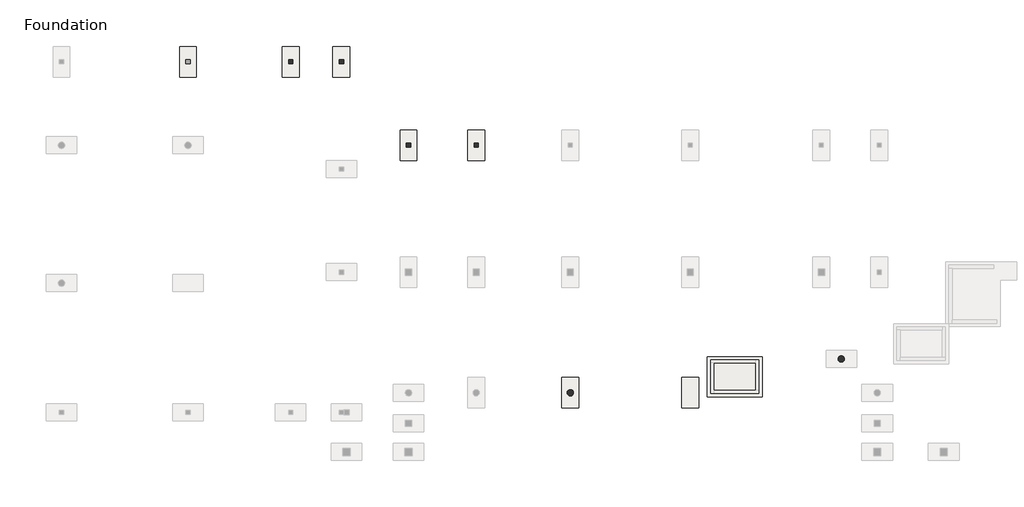
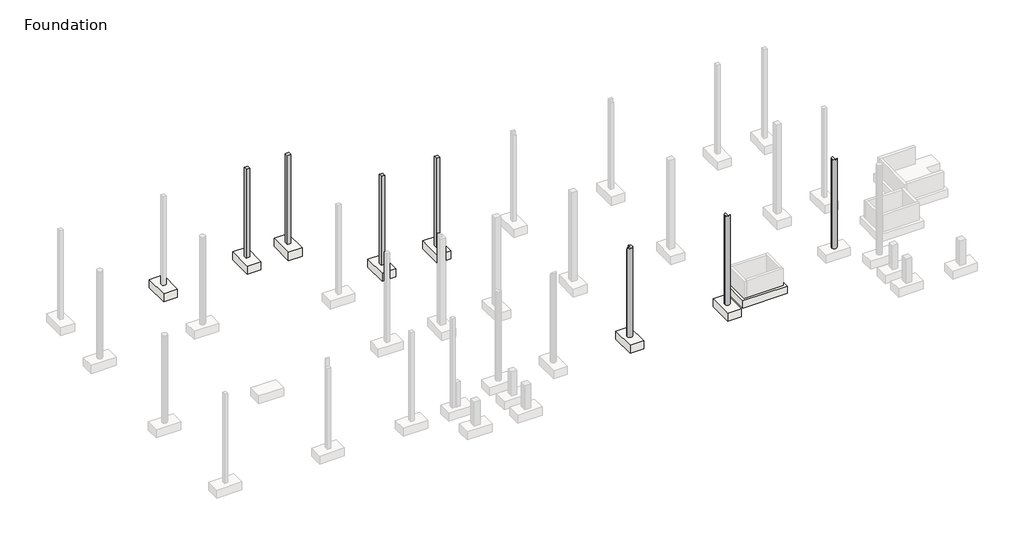
# One storey, part 8 of 10: 8 slabs, 7 columns.
"""IFC4 building model written with IfcOpenShell, lengths in millimetres."""

from ifc_helpers import new_model, si_unit, frame, origin, place, context, project, spatial, polyline, circle_curve, outline, extrude, faceted_brep, element, save
from ifc_brep_helpers import plane_surface, cylinder_surface, revolved_surface, advanced_brep

model = new_model("IFC4")

# Units and contexts
model_context = context("Model", 3, world=origin())
ifc_project = project(units=[si_unit("LENGTHUNIT", "METRE", prefix="MILLI")], contexts=[model_context])

# Site, building, storey
site = spatial("IfcSite", under=ifc_project)
building = spatial("IfcBuilding", under=site)
storey = spatial("IfcBuildingStorey", under=building, Name="Foundation", Elevation=-1600.0)

# Columns
placement = place(None, origin())
element("IfcColumn", 1, ObjectType="Concrete Round : 300 mm", at=placement, inside=storey, context=model_context, shape_type="AdvancedBrep", body=[
    advanced_brep(
    [(15549.8821845, -16244.1031039, -1600.0), (15849.8821845, -16244.1031039, -1600.0), (15549.8821845, -16244.1031039, 3900.0), (15599.9020782, -16132.2819148, 3900.0), (15699.8821845, -16094.1031039, 3900.0), (15699.8821845, -16094.1031039, 3720.0), (15849.8821845, -16244.1031039, 3720.0), (15811.6855834, -16344.1031039, 3720.0), (15811.6855834, -16344.1031039, 3900.0), (15699.8821845, -16344.1031039, 3900.0), (15699.8821845, -16344.1031039, 3720.0)],
    [
        (0, 1, circle_curve(frame((15699.8821845, -16244.1031039, -1600.0), z_axis=(0.0, 0.0, -1.0), x_axis=(-1.0, 0.0, 0.0)), 150.0)),
        (1, 0, circle_curve(frame((15699.8821845, -16244.1031039, -1600.0), z_axis=(0.0, 0.0, -1.0), x_axis=(-1.0, 0.0, 0.0)), 150.0)),
        (0, 2),
        (2, 3, circle_curve(frame((15699.8821845, -16244.1031039, 3900.0), z_axis=(0.0, 0.0, -1.0), x_axis=(-1.0, 0.0, 0.0)), 150.0)),
        (3, 4, circle_curve(frame((15699.8821845, -16244.1031039, 3900.0), z_axis=(0.0, 0.0, -1.0), x_axis=(-1.0, 0.0, 0.0)), 150.0)),
        (4, 5),
        (5, 6, circle_curve(frame((15699.8821845, -16244.1031039, 3720.0), z_axis=(0.0, 0.0, -1.0), x_axis=(-1.0, 0.0, 0.0)), 150.0)),
        (6, 1),
        (6, 7, circle_curve(frame((15699.8821845, -16244.1031039, 3720.0), z_axis=(0.0, 0.0, -1.0), x_axis=(-1.0, 0.0, 0.0)), 150.0)),
        (7, 8),
        (8, 2, circle_curve(frame((15699.8821845, -16244.1031039, 3900.0), z_axis=(0.0, 0.0, -1.0), x_axis=(-1.0, 0.0, 0.0)), 150.0)),
        (8, 9),
        (9, 4),
        (10, 7),
        (5, 10),
        (10, 9),
    ],
    [
        plane_surface(frame((15549.8821845, -16244.1031039, -1600.0), z_axis=(0.0, 0.0, -1.0), x_axis=(0.0, -1.0, 0.0))),
        cylinder_surface(frame((15699.8821845, -16244.1031039, -1600.0), z_axis=(0.0, 0.0, 1.0), x_axis=(-1.0, 0.0, 0.0)), 150.0),
        plane_surface(frame((15549.8821845, -16244.1031039, 3900.0), z_axis=(0.0, 0.0, 1.0), x_axis=(0.0, 1.0, 0.0))),
        plane_surface(frame((15699.8821845, -12427.2248986, 3720.0), z_axis=(0.0, 0.0, 1.0), x_axis=(0.0, 1.0, 0.0))),
        plane_surface(frame((20562.4250814, -16344.1031039, 3720.0), z_axis=(0.0, 1.0, 0.0), x_axis=(0.0, 0.0, 1.0))),
        plane_surface(frame((15699.8821845, -16344.1031039, 3720.0), z_axis=(1.0, 0.0, 0.0), x_axis=(0.0, 0.0, 1.0))),
    ],
    [
        (0, [[1, 2]]),
        (1, [[-1, 3, 4, 5, 6, 7, 8]]),
        (1, [[-2, -8, 9, 10, 11, -3]]),
        (2, [[-5, -4, -11, 12, 13]]),
        (3, [[14, -9, -7, 15]]),
        (4, [[16, -12, -10, -14]]),
        (5, [[-16, -15, -6, -13]]),
    ],
),
])
element("IfcColumn", 2, ObjectType="Concrete Round : 300 mm", at=placement, inside=storey, context=model_context, shape_type="AdvancedBrep", body=[
    advanced_brep(
    [(8382.4250814, -17852.2248986, -1600.0), (8682.4250814, -17852.2248986, -1600.0), (8382.4250814, -17852.2248986, 3900.0), (8420.6402139, -17752.2041839, 3900.0), (8432.4336583, -17740.4138289, 3900.0), (8532.4250814, -17702.2248986, 3900.0), (8532.4250814, -17702.2248986, 3700.0), (8682.4250814, -17852.2248986, 3700.0), (8644.2284803, -17952.2248986, 3700.0), (8644.2284803, -17952.2248986, 3900.0), (8420.6412891, -17952.246815, 3900.0), (8632.4250814, -17952.2248986, 3900.0), (8532.4250814, -17952.2248986, 3900.0), (8532.4250814, -17952.2248986, 3700.0), (8632.4250814, -17952.2248986, 3700.0)],
    [
        (0, 1, circle_curve(frame((8532.4250814, -17852.2248986, -1600.0), z_axis=(0.0, 0.0, -1.0), x_axis=(-1.0, 0.0, 0.0)), 150.0)),
        (1, 0, circle_curve(frame((8532.4250814, -17852.2248986, -1600.0), z_axis=(0.0, 0.0, -1.0), x_axis=(-1.0, 0.0, 0.0)), 150.0)),
        (0, 2),
        (2, 3, circle_curve(frame((8532.4250814, -17852.2248986, 3900.0), z_axis=(0.0, 0.0, -1.0), x_axis=(-1.0, 0.0, 0.0)), 150.0)),
        (3, 4, circle_curve(frame((8532.4250814, -17852.2248986, 3900.0), z_axis=(0.0, 0.0, -1.0), x_axis=(-1.0, 0.0, 0.0)), 150.0)),
        (4, 5, circle_curve(frame((8532.4250814, -17852.2248986, 3900.0), z_axis=(0.0, 0.0, -1.0), x_axis=(-1.0, 0.0, 0.0)), 150.0)),
        (5, 6),
        (6, 7, circle_curve(frame((8532.4250814, -17852.2248986, 3700.0), z_axis=(0.0, 0.0, -1.0), x_axis=(-1.0, 0.0, 0.0)), 150.0)),
        (7, 1),
        (7, 8, circle_curve(frame((8532.4250814, -17852.2248986, 3700.0), z_axis=(0.0, 0.0, -1.0), x_axis=(-1.0, 0.0, 0.0)), 150.0)),
        (8, 9),
        (9, 10, circle_curve(frame((8532.4250814, -17852.2248986, 3900.0), z_axis=(0.0, 0.0, -1.0), x_axis=(-1.0, 0.0, 0.0)), 150.0)),
        (10, 2, circle_curve(frame((8532.4250814, -17852.2248986, 3900.0), z_axis=(0.0, 0.0, -1.0), x_axis=(-1.0, 0.0, 0.0)), 150.0)),
        (9, 11),
        (11, 12),
        (12, 5),
        (6, 13),
        (13, 14),
        (14, 8),
        (12, 13),
    ],
    [
        plane_surface(frame((8382.4250814, -17852.2248986, -1600.0), z_axis=(0.0, 0.0, -1.0), x_axis=(0.0, -1.0, 0.0))),
        cylinder_surface(frame((8532.4250814, -17852.2248986, -1600.0), z_axis=(0.0, 0.0, 1.0), x_axis=(-1.0, 0.0, 0.0)), 150.0),
        plane_surface(frame((8382.4250814, -17852.2248986, 3900.0), z_axis=(0.0, 0.0, 1.0), x_axis=(0.0, 1.0, 0.0))),
        plane_surface(frame((8532.4250814, -14486.7502797, 3700.0), z_axis=(0.0, 0.0, 1.0), x_axis=(1.0, 0.0, 0.0))),
        plane_surface(frame((8532.4250814, -17952.2248986, 3700.0), z_axis=(1.0, 0.0, 0.0), x_axis=(0.0, 0.0, 1.0))),
        plane_surface(frame((9567.4213149, -17952.2248986, 3700.0), z_axis=(0.0, 1.0, 0.0), x_axis=(0.0, 0.0, 1.0))),
    ],
    [
        (0, [[1, 2]]),
        (1, [[-1, 3, 4, 5, 6, 7, 8, 9]]),
        (1, [[-2, -9, 10, 11, 12, 13, -3]]),
        (2, [[-6, -5, -4, -13, -12, 14, 15, 16]]),
        (3, [[17, 18, 19, -10, -8]]),
        (4, [[20, -17, -7, -16]]),
        (5, [[-20, -15, -14, -11, -19, -18]]),
    ],
),
])
element("IfcColumn", 3, ObjectType="Concrete Round : 300 mm", at=placement, inside=storey, context=model_context, shape_type="AdvancedBrep", body=[
    advanced_brep(
    [(2689.0837277, -17852.2248986, -1600.0), (2989.0837277, -17852.2248986, -1600.0), (2689.0837277, -17852.2248986, 3720.0), (2839.0837277, -17702.2248986, 3720.0), (2839.0837277, -17702.2248986, 3900.0), (2939.0751508, -17740.4138289, 3900.0), (2950.8685952, -17752.2041839, 3900.0), (2989.0837277, -17852.2248986, 3900.0), (2950.8871266, -17952.2248986, 3900.0), (2689.0837277, -17852.2248986, 3900.0), (2839.0837277, -17852.2248986, 3900.0), (2839.0837277, -17852.2248986, 3720.0)],
    [
        (0, 1, circle_curve(frame((2839.0837277, -17852.2248986, -1600.0), z_axis=(0.0, 0.0, -1.0), x_axis=(-1.0, 0.0, 0.0)), 150.0)),
        (1, 0, circle_curve(frame((2839.0837277, -17852.2248986, -1600.0), z_axis=(0.0, 0.0, -1.0), x_axis=(-1.0, 0.0, 0.0)), 150.0)),
        (0, 2),
        (2, 3, circle_curve(frame((2839.0837277, -17852.2248986, 3720.0), z_axis=(0.0, 0.0, -1.0), x_axis=(-1.0, 0.0, 0.0)), 150.0)),
        (3, 4),
        (4, 5, circle_curve(frame((2839.0837277, -17852.2248986, 3900.0), z_axis=(0.0, 0.0, -1.0), x_axis=(-1.0, 0.0, 0.0)), 150.0)),
        (5, 6, circle_curve(frame((2839.0837277, -17852.2248986, 3900.0), z_axis=(0.0, 0.0, -1.0), x_axis=(-1.0, 0.0, 0.0)), 150.0)),
        (6, 7, circle_curve(frame((2839.0837277, -17852.2248986, 3900.0), z_axis=(0.0, 0.0, -1.0), x_axis=(-1.0, 0.0, 0.0)), 150.0)),
        (7, 1),
        (7, 8, circle_curve(frame((2839.0837277, -17852.2248986, 3900.0), z_axis=(0.0, 0.0, -1.0), x_axis=(-1.0, 0.0, 0.0)), 150.0)),
        (8, 9, circle_curve(frame((2839.0837277, -17852.2248986, 3900.0), z_axis=(0.0, 0.0, -1.0), x_axis=(-1.0, 0.0, 0.0)), 150.0)),
        (9, 2),
        (4, 10),
        (10, 9),
        (2, 11),
        (11, 3),
        (11, 10),
    ],
    [
        plane_surface(frame((2689.0837277, -17852.2248986, -1600.0), z_axis=(0.0, 0.0, -1.0), x_axis=(0.0, -1.0, 0.0))),
        cylinder_surface(frame((2839.0837277, -17852.2248986, -1600.0), z_axis=(0.0, 0.0, 1.0), x_axis=(-1.0, 0.0, 0.0)), 150.0),
        plane_surface(frame((2689.0837277, -17852.2248986, 3900.0), z_axis=(0.0, 0.0, 1.0), x_axis=(0.0, 1.0, 0.0))),
        plane_surface(frame((2739.0837277, -12119.7248986, 3720.0), z_axis=(0.0, 0.0, 1.0), x_axis=(1.0, 0.0, 0.0))),
        plane_surface(frame((2839.0837277, -12119.7248986, 3720.0), z_axis=(-1.0, 0.0, 0.0), x_axis=(0.0, 0.0, 1.0))),
        plane_surface(frame((2839.0837277, -17852.2248986, 3720.0), z_axis=(0.0, 1.0, 0.0), x_axis=(0.0, 0.0, 1.0))),
    ],
    [
        (0, [[1, 2]]),
        (1, [[-1, 3, 4, 5, 6, 7, 8, 9]]),
        (1, [[-2, -9, 10, 11, 12, -3]]),
        (2, [[-11, -10, -8, -7, -6, 13, 14]]),
        (3, [[15, 16, -4]]),
        (4, [[17, -13, -5, -16]]),
        (5, [[-17, -15, -12, -14]]),
    ],
),
])
element("IfcColumn", 4, ObjectType="Concrete-Rectangular-Column : C 20/20", at=placement, inside=storey, context=model_context, shape_type="Brep", body=[
    faceted_brep([(-7925.0749186, -2024.7248986, -1600.0), (-7925.0749186, -2224.7248986, -1600.0), (-8125.0749186, -2224.7248986, -1600.0), (-8125.0749186, -2024.7248986, -1600.0), (-7925.0749186, -2224.7248986, 3900.0), (-8125.0749186, -2224.7248986, 3900.0), (-8125.0749186, -2224.7248986, -100.0), (-8125.0749186, -2224.7248986, -550.0), (-7925.0749186, -2224.7248986, -550.0), (-7925.0749186, -2224.7248986, -100.0), (-7925.0749186, -2024.7248986, 3900.0), (-8125.0749186, -2174.7248986, 3900.0), (-8125.0749186, -2024.7248986, 3900.0), (-8125.0749186, -2024.7248986, -100.0), (-8125.0749186, -2024.7248986, -550.0)], [[[0, 1, 2, 3]], [[4, 5, 6, 7, 2, 1, 8, 9]], [[10, 4, 9, 8, 1, 0]], [[5, 11, 12, 13, 14, 3, 2, 7, 6]], [[12, 10, 0, 3, 14, 13]], [[10, 12, 11, 5, 4]]]),
])
element("IfcColumn", 5, ObjectType="Concrete-Rectangular-Column : C 20/20", at=placement, inside=storey, context=model_context, shape_type="Brep", body=[
    faceted_brep([(-10332.5749186, -2024.7248986, -1600.0), (-10332.5749186, -2224.7248986, -1600.0), (-10532.5749186, -2224.7248986, -1600.0), (-10532.5749186, -2024.7248986, -1600.0), (-10332.5749186, -2224.7248986, 3900.0), (-10532.5749186, -2224.7248986, 3900.0), (-10532.5749186, -2224.7248986, 3794.6349541), (-10532.5749186, -2224.7248986, -100.0), (-10532.5749186, -2224.7248986, -550.0), (-10332.5749186, -2224.7248986, -550.0), (-10332.5749186, -2224.7248986, -100.0), (-10332.5749186, -2224.7248986, 3794.6349541), (-10332.5749186, -2024.7248986, 3900.0), (-10332.5749186, -2174.7248986, 3900.0), (-10332.5749186, -2024.7248986, -550.0), (-10332.5749186, -2024.7248986, -100.0), (-10332.5749186, -2024.7248986, 3500.0), (-10532.5749186, -2174.7248986, 3900.0), (-10532.5749186, -2024.7248986, 3900.0), (-10532.5749186, -2024.7248986, -100.0), (-10532.5749186, -2024.7248986, -550.0)], [[[0, 1, 2, 3]], [[4, 5, 6, 7, 8, 2, 1, 9, 10, 11]], [[12, 13, 4, 11, 10, 9, 1, 0, 14, 15, 16]], [[5, 17, 18, 19, 20, 3, 2, 8, 7, 6]], [[18, 12, 16, 15, 14, 0, 3, 20, 19]], [[12, 18, 17, 5, 4, 13]]]),
])
element("IfcColumn", 6, ObjectType="Concrete-Rectangular-Column : C 20/20", at=placement, inside=storey, context=model_context, shape_type="Brep", body=[
    faceted_brep([(-4937.5749186, -5989.7248986, -1600.0), (-4737.5749186, -5989.7248986, -1600.0), (-4737.5749186, -6189.7248986, -1600.0), (-4937.5749186, -6189.7248986, -1600.0), (-4937.5749186, -6189.7248986, 3900.0), (-4937.5749186, -6189.7248986, -100.0), (-4937.5749186, -6189.7248986, -550.0), (-4737.5749186, -6189.7248986, -550.0), (-4737.5749186, -6189.7248986, -100.0), (-4737.5749186, -6189.7248986, 3900.0), (-4937.5749186, -5989.7248986, 3900.0), (-4737.5749186, -5989.7248986, 3900.0), (-4737.5749186, -6164.7248986, 3900.0)], [[[0, 1, 2, 3]], [[4, 5, 6, 3, 2, 7, 8, 9]], [[10, 0, 3, 6, 5, 4]], [[9, 8, 7, 2, 1, 11, 12]], [[11, 1, 0, 10]], [[10, 4, 9, 12, 11]]]),
])
element("IfcColumn", 7, ObjectType="Concrete-Rectangular-Column : C 20/20", at=placement, inside=storey, context=model_context, shape_type="Brep", body=[
    faceted_brep([(-1527.5749186, -5989.7248986, -1600.0), (-1527.5749186, -6189.7248986, -1600.0), (-1727.5749186, -6189.7248986, -1600.0), (-1727.5749186, -5989.7248986, -1600.0), (-1527.5749186, -6189.7248986, 3900.0), (-1727.5749186, -6189.7248986, 3900.0), (-1727.5749186, -6189.7248986, -100.0), (-1727.5749186, -6189.7248986, -550.0), (-1527.5749186, -6189.7248986, -550.0), (-1527.5749186, -6189.7248986, -100.0), (-1527.5749186, -5989.7248986, 3900.0), (-1527.5749186, -6164.7248986, 3900.0), (-1727.5749186, -6164.7248986, 3900.0), (-1727.5749186, -5989.7248986, 3900.0)], [[[0, 1, 2, 3]], [[4, 5, 6, 7, 2, 1, 8, 9]], [[10, 11, 4, 9, 8, 1, 0]], [[5, 12, 13, 3, 2, 7, 6]], [[13, 10, 0, 3]], [[10, 13, 12, 5, 4, 11]]]),
])

# Slabs
element("IfcSlab", 8, ObjectType="Pile Cap for 2 Piles : Type 1", at=placement, inside=storey, context=model_context, shape_type="AdvancedBrep", body=[
    advanced_brep(
    [(-15707.5749186, -2849.7248986, -1600.0), (-14907.5749186, -2849.7248986, -1600.0), (-14907.5749186, -1399.7248986, -1600.0), (-15707.5749186, -1399.7248986, -1600.0), (-15707.5749186, -2849.7248986, -2100.0), (-15707.5749186, -1399.7248986, -2100.0), (-14907.5749186, -1399.7248986, -2100.0), (-14907.5749186, -2849.7248986, -2100.0), (-15174.2415852, -2524.7248986, -2100.0), (-15440.9082519, -2524.7248986, -2100.0), (-15174.2415852, -1724.7248986, -2100.0), (-15440.9082519, -1724.7248986, -2100.0), (-15174.2415852, -1724.7248986, -2050.0), (-15440.9082519, -1724.7248986, -2050.0), (-15174.2415852, -2524.7248986, -2050.0), (-15440.9082519, -2524.7248986, -2050.0)],
    [
        (0, 1),
        (1, 2),
        (2, 3),
        (3, 0),
        (4, 5),
        (5, 6),
        (6, 7),
        (7, 4),
        (8, 9, circle_curve(frame((-15307.5749186, -2524.7248986, -2100.0), z_axis=(0.0, 0.0, 1.0), x_axis=(-1.0, 0.0, 0.0)), 133.3333333)),
        (9, 8, circle_curve(frame((-15307.5749186, -2524.7248986, -2100.0), z_axis=(0.0, 0.0, 1.0), x_axis=(-1.0, 0.0, 0.0)), 133.3333333)),
        (10, 11, circle_curve(frame((-15307.5749186, -1724.7248986, -2100.0), z_axis=(0.0, 0.0, 1.0), x_axis=(-1.0, 0.0, 0.0)), 133.3333333)),
        (11, 10, circle_curve(frame((-15307.5749186, -1724.7248986, -2100.0), z_axis=(0.0, 0.0, 1.0), x_axis=(-1.0, 0.0, 0.0)), 133.3333333)),
        (0, 4),
        (7, 1),
        (6, 2),
        (5, 3),
        (12, 13, circle_curve(frame((-15307.5749186, -1724.7248986, -2050.0), z_axis=(0.0, 0.0, -1.0), x_axis=(-1.0, 0.0, 0.0)), 133.3333333)),
        (13, 12, circle_curve(frame((-15307.5749186, -1724.7248986, -2050.0), z_axis=(0.0, 0.0, -1.0), x_axis=(-1.0, 0.0, 0.0)), 133.3333333)),
        (8, 14),
        (14, 15, circle_curve(frame((-15307.5749186, -2524.7248986, -2050.0), z_axis=(0.0, 0.0, 1.0), x_axis=(-1.0, 0.0, 0.0)), 133.3333333)),
        (15, 9),
        (15, 14, circle_curve(frame((-15307.5749186, -2524.7248986, -2050.0), z_axis=(0.0, 0.0, 1.0), x_axis=(-1.0, 0.0, 0.0)), 133.3333333)),
        (10, 12),
        (13, 11),
    ],
    [
        plane_surface(frame((-14907.5749186, -2849.7248986, -1600.0), z_axis=(0.0, 0.0, 1.0), x_axis=(1.0, 0.0, 0.0))),
        plane_surface(frame((-14907.5749186, -2849.7248986, -2100.0), z_axis=(0.0, 0.0, -1.0), x_axis=(-1.0, 0.0, 0.0))),
        plane_surface(frame((-15707.5749186, -2849.7248986, -1600.0), z_axis=(0.0, -1.0, 0.0), x_axis=(0.0, 0.0, -1.0))),
        plane_surface(frame((-14907.5749186, -2849.7248986, -1600.0), z_axis=(1.0, 0.0, 0.0), x_axis=(0.0, 0.0, -1.0))),
        plane_surface(frame((-14907.5749186, -1399.7248986, -1600.0), z_axis=(0.0, 1.0, 0.0), x_axis=(0.0, 0.0, -1.0))),
        plane_surface(frame((-15707.5749186, -1399.7248986, -1600.0), z_axis=(-1.0, 0.0, 0.0), x_axis=(0.0, 0.0, -1.0))),
        plane_surface(frame((-15440.9082519, -2524.7248986, -2050.0), z_axis=(0.0, 0.0, -1.0), x_axis=(0.0, -1.0, 0.0))),
        revolved_surface(polyline([(-15440.908251899999, -2524.7248986, -2050.0), (-15440.908251899999, -2524.7248986, -2100.0)]), (-15307.5749186, -2524.7248986, -2100.0), (0.0, 0.0, 1.0)),
        revolved_surface(polyline([(-15440.908251899999, -1724.7248986, -2050.0), (-15440.908251899999, -1724.7248986, -2100.0)]), (-15307.5749186, -1724.7248986, -1600.0), (0.0, 0.0, 1.0)),
    ],
    [
        (0, [[1, 2, 3, 4]]),
        (1, [[5, 6, 7, 8], [9, 10], [11, 12]]),
        (2, [[-1, 13, -8, 14]]),
        (3, [[-2, -14, -7, 15]]),
        (4, [[-3, -15, -6, 16]]),
        (5, [[-4, -16, -5, -13]]),
        (6, [[17, 18]]),
        (7, [[-9, 19, 20, 21]]),
        (7, [[-10, -21, 22, -19]]),
        (8, [[-11, 23, -18, 24]]),
        (8, [[-12, -24, -17, -23]]),
        (6, [[-22, -20]]),
    ],
),
])
element("IfcSlab", 9, ObjectType="Pile Cap for 2 Piles : Type 1", at=placement, inside=storey, context=model_context, shape_type="AdvancedBrep", body=[
    advanced_brep(
    [(-10832.5749186, -2849.7248986, -1600.0), (-10032.5749186, -2849.7248986, -1600.0), (-10032.5749186, -1399.7248986, -1600.0), (-10832.5749186, -1399.7248986, -1600.0), (-10832.5749186, -2849.7248986, -2100.0), (-10832.5749186, -1399.7248986, -2100.0), (-10032.5749186, -1399.7248986, -2100.0), (-10032.5749186, -2849.7248986, -2100.0), (-10299.2415852, -2524.7248986, -2100.0), (-10565.9082519, -2524.7248986, -2100.0), (-10299.2415852, -1724.7248986, -2100.0), (-10565.9082519, -1724.7248986, -2100.0), (-10299.2415852, -1724.7248986, -2050.0), (-10565.9082519, -1724.7248986, -2050.0), (-10299.2415852, -2524.7248986, -2050.0), (-10565.9082519, -2524.7248986, -2050.0)],
    [
        (0, 1),
        (1, 2),
        (2, 3),
        (3, 0),
        (4, 5),
        (5, 6),
        (6, 7),
        (7, 4),
        (8, 9, circle_curve(frame((-10432.5749186, -2524.7248986, -2100.0), z_axis=(0.0, 0.0, 1.0), x_axis=(-1.0, 0.0, 0.0)), 133.3333333)),
        (9, 8, circle_curve(frame((-10432.5749186, -2524.7248986, -2100.0), z_axis=(0.0, 0.0, 1.0), x_axis=(-1.0, 0.0, 0.0)), 133.3333333)),
        (10, 11, circle_curve(frame((-10432.5749186, -1724.7248986, -2100.0), z_axis=(0.0, 0.0, 1.0), x_axis=(-1.0, 0.0, 0.0)), 133.3333333)),
        (11, 10, circle_curve(frame((-10432.5749186, -1724.7248986, -2100.0), z_axis=(0.0, 0.0, 1.0), x_axis=(-1.0, 0.0, 0.0)), 133.3333333)),
        (0, 4),
        (7, 1),
        (6, 2),
        (5, 3),
        (12, 13, circle_curve(frame((-10432.5749186, -1724.7248986, -2050.0), z_axis=(0.0, 0.0, -1.0), x_axis=(-1.0, 0.0, 0.0)), 133.3333333)),
        (13, 12, circle_curve(frame((-10432.5749186, -1724.7248986, -2050.0), z_axis=(0.0, 0.0, -1.0), x_axis=(-1.0, 0.0, 0.0)), 133.3333333)),
        (8, 14),
        (14, 15, circle_curve(frame((-10432.5749186, -2524.7248986, -2050.0), z_axis=(0.0, 0.0, 1.0), x_axis=(-1.0, 0.0, 0.0)), 133.3333333)),
        (15, 9),
        (15, 14, circle_curve(frame((-10432.5749186, -2524.7248986, -2050.0), z_axis=(0.0, 0.0, 1.0), x_axis=(-1.0, 0.0, 0.0)), 133.3333333)),
        (10, 12),
        (13, 11),
    ],
    [
        plane_surface(frame((-10032.5749186, -2849.7248986, -1600.0), z_axis=(0.0, 0.0, 1.0), x_axis=(1.0, 0.0, 0.0))),
        plane_surface(frame((-10032.5749186, -2849.7248986, -2100.0), z_axis=(0.0, 0.0, -1.0), x_axis=(-1.0, 0.0, 0.0))),
        plane_surface(frame((-10832.5749186, -2849.7248986, -1600.0), z_axis=(0.0, -1.0, 0.0), x_axis=(0.0, 0.0, -1.0))),
        plane_surface(frame((-10032.5749186, -2849.7248986, -1600.0), z_axis=(1.0, 0.0, 0.0), x_axis=(0.0, 0.0, -1.0))),
        plane_surface(frame((-10032.5749186, -1399.7248986, -1600.0), z_axis=(0.0, 1.0, 0.0), x_axis=(0.0, 0.0, -1.0))),
        plane_surface(frame((-10832.5749186, -1399.7248986, -1600.0), z_axis=(-1.0, 0.0, 0.0), x_axis=(0.0, 0.0, -1.0))),
        plane_surface(frame((-10565.9082519, -2524.7248986, -2050.0), z_axis=(0.0, 0.0, -1.0), x_axis=(0.0, -1.0, 0.0))),
        revolved_surface(polyline([(-10565.908251899999, -2524.7248986, -2050.0), (-10565.908251899999, -2524.7248986, -2100.0)]), (-10432.5749186, -2524.7248986, -2100.0), (0.0, 0.0, 1.0)),
        revolved_surface(polyline([(-10565.908251899999, -1724.7248986, -2050.0), (-10565.908251899999, -1724.7248986, -2100.0)]), (-10432.5749186, -1724.7248986, -1600.0), (0.0, 0.0, 1.0)),
    ],
    [
        (0, [[1, 2, 3, 4]]),
        (1, [[5, 6, 7, 8], [9, 10], [11, 12]]),
        (2, [[-1, 13, -8, 14]]),
        (3, [[-2, -14, -7, 15]]),
        (4, [[-3, -15, -6, 16]]),
        (5, [[-4, -16, -5, -13]]),
        (6, [[17, 18]]),
        (7, [[-9, 19, 20, 21]]),
        (7, [[-10, -21, 22, -19]]),
        (8, [[-11, 23, -18, 24]]),
        (8, [[-12, -24, -17, -23]]),
        (6, [[-22, -20]]),
    ],
),
])
element("IfcSlab", 10, ObjectType="Pile Cap for 2 Piles : Type 1", at=placement, inside=storey, context=model_context, shape_type="AdvancedBrep", body=[
    advanced_brep(
    [(-8425.0749186, -2849.7248986, -1600.0), (-7625.0749186, -2849.7248986, -1600.0), (-7625.0749186, -1399.7248986, -1600.0), (-8425.0749186, -1399.7248986, -1600.0), (-8425.0749186, -2849.7248986, -2100.0), (-8425.0749186, -1399.7248986, -2100.0), (-7625.0749186, -1399.7248986, -2100.0), (-7625.0749186, -2849.7248986, -2100.0), (-7891.7415852, -2524.7248986, -2100.0), (-8158.4082519, -2524.7248986, -2100.0), (-7891.7415852, -1724.7248986, -2100.0), (-8158.4082519, -1724.7248986, -2100.0), (-7891.7415852, -1724.7248986, -2050.0), (-8158.4082519, -1724.7248986, -2050.0), (-7891.7415852, -2524.7248986, -2050.0), (-8158.4082519, -2524.7248986, -2050.0)],
    [
        (0, 1),
        (1, 2),
        (2, 3),
        (3, 0),
        (4, 5),
        (5, 6),
        (6, 7),
        (7, 4),
        (8, 9, circle_curve(frame((-8025.0749186, -2524.7248986, -2100.0), z_axis=(0.0, 0.0, 1.0), x_axis=(-1.0, 0.0, 0.0)), 133.3333333)),
        (9, 8, circle_curve(frame((-8025.0749186, -2524.7248986, -2100.0), z_axis=(0.0, 0.0, 1.0), x_axis=(-1.0, 0.0, 0.0)), 133.3333333)),
        (10, 11, circle_curve(frame((-8025.0749186, -1724.7248986, -2100.0), z_axis=(0.0, 0.0, 1.0), x_axis=(-1.0, 0.0, 0.0)), 133.3333333)),
        (11, 10, circle_curve(frame((-8025.0749186, -1724.7248986, -2100.0), z_axis=(0.0, 0.0, 1.0), x_axis=(-1.0, 0.0, 0.0)), 133.3333333)),
        (0, 4),
        (7, 1),
        (6, 2),
        (5, 3),
        (12, 13, circle_curve(frame((-8025.0749186, -1724.7248986, -2050.0), z_axis=(0.0, 0.0, -1.0), x_axis=(-1.0, 0.0, 0.0)), 133.3333333)),
        (13, 12, circle_curve(frame((-8025.0749186, -1724.7248986, -2050.0), z_axis=(0.0, 0.0, -1.0), x_axis=(-1.0, 0.0, 0.0)), 133.3333333)),
        (8, 14),
        (14, 15, circle_curve(frame((-8025.0749186, -2524.7248986, -2050.0), z_axis=(0.0, 0.0, 1.0), x_axis=(-1.0, 0.0, 0.0)), 133.3333333)),
        (15, 9),
        (15, 14, circle_curve(frame((-8025.0749186, -2524.7248986, -2050.0), z_axis=(0.0, 0.0, 1.0), x_axis=(-1.0, 0.0, 0.0)), 133.3333333)),
        (10, 12),
        (13, 11),
    ],
    [
        plane_surface(frame((-7625.0749186, -2849.7248986, -1600.0), z_axis=(0.0, 0.0, 1.0), x_axis=(1.0, 0.0, 0.0))),
        plane_surface(frame((-7625.0749186, -2849.7248986, -2100.0), z_axis=(0.0, 0.0, -1.0), x_axis=(-1.0, 0.0, 0.0))),
        plane_surface(frame((-8425.0749186, -2849.7248986, -1600.0), z_axis=(0.0, -1.0, 0.0), x_axis=(0.0, 0.0, -1.0))),
        plane_surface(frame((-7625.0749186, -2849.7248986, -1600.0), z_axis=(1.0, 0.0, 0.0), x_axis=(0.0, 0.0, -1.0))),
        plane_surface(frame((-7625.0749186, -1399.7248986, -1600.0), z_axis=(0.0, 1.0, 0.0), x_axis=(0.0, 0.0, -1.0))),
        plane_surface(frame((-8425.0749186, -1399.7248986, -1600.0), z_axis=(-1.0, 0.0, 0.0), x_axis=(0.0, 0.0, -1.0))),
        plane_surface(frame((-8158.4082519, -2524.7248986, -2050.0), z_axis=(0.0, 0.0, -1.0), x_axis=(0.0, -1.0, 0.0))),
        revolved_surface(polyline([(-8158.4082519, -2524.7248986, -2050.0), (-8158.4082519, -2524.7248986, -2100.0)]), (-8025.0749186, -2524.7248986, -2100.0), (0.0, 0.0, 1.0)),
        revolved_surface(polyline([(-8158.4082519, -1724.7248986, -2050.0), (-8158.4082519, -1724.7248986, -2100.0)]), (-8025.0749186, -1724.7248986, -1600.0), (0.0, 0.0, 1.0)),
    ],
    [
        (0, [[1, 2, 3, 4]]),
        (1, [[5, 6, 7, 8], [9, 10], [11, 12]]),
        (2, [[-1, 13, -8, 14]]),
        (3, [[-2, -14, -7, 15]]),
        (4, [[-3, -15, -6, 16]]),
        (5, [[-4, -16, -5, -13]]),
        (6, [[17, 18]]),
        (7, [[-9, 19, 20, 21]]),
        (7, [[-10, -21, 22, -19]]),
        (8, [[-11, 23, -18, 24]]),
        (8, [[-12, -24, -17, -23]]),
        (6, [[-22, -20]]),
    ],
),
])
element("IfcSlab", 11, ObjectType="Pile Cap for 2 Piles : Type 1", at=placement, inside=storey, context=model_context, shape_type="AdvancedBrep", body=[
    advanced_brep(
    [(8132.4250814, -18577.2248986, -1600.0), (8932.4250814, -18577.2248986, -1600.0), (8932.4250814, -17127.2248986, -1600.0), (8132.4250814, -17127.2248986, -1600.0), (8932.4250814, -17127.2248986, -2100.0), (8932.4250814, -18577.2248986, -2100.0), (8132.4250814, -18577.2248986, -2100.0), (8132.4250814, -17127.2248986, -2100.0), (8665.7584148, -18252.2248986, -2100.0), (8399.0917481, -18252.2248986, -2100.0), (8665.7584148, -17452.2248986, -2100.0), (8399.0917481, -17452.2248986, -2100.0), (8665.7584148, -17452.2248986, -2050.0), (8399.0917481, -17452.2248986, -2050.0), (8665.7584148, -18252.2248986, -2050.0), (8399.0917481, -18252.2248986, -2050.0)],
    [
        (0, 1),
        (1, 2),
        (2, 3),
        (3, 0),
        (4, 5),
        (5, 6),
        (6, 7),
        (7, 4),
        (8, 9, circle_curve(frame((8532.4250814, -18252.2248986, -2100.0), z_axis=(0.0, 0.0, 1.0), x_axis=(1.0, 0.0, 0.0)), 133.3333333)),
        (9, 8, circle_curve(frame((8532.4250814, -18252.2248986, -2100.0), z_axis=(0.0, 0.0, 1.0), x_axis=(1.0, 0.0, 0.0)), 133.3333333)),
        (10, 11, circle_curve(frame((8532.4250814, -17452.2248986, -2100.0), z_axis=(0.0, 0.0, 1.0), x_axis=(1.0, 0.0, 0.0)), 133.3333333)),
        (11, 10, circle_curve(frame((8532.4250814, -17452.2248986, -2100.0), z_axis=(0.0, 0.0, 1.0), x_axis=(1.0, 0.0, 0.0)), 133.3333333)),
        (0, 6),
        (5, 1),
        (3, 7),
        (2, 4),
        (12, 13, circle_curve(frame((8532.4250814, -17452.2248986, -2050.0), z_axis=(0.0, 0.0, -1.0), x_axis=(1.0, 0.0, 0.0)), 133.3333333)),
        (13, 12, circle_curve(frame((8532.4250814, -17452.2248986, -2050.0), z_axis=(0.0, 0.0, -1.0), x_axis=(1.0, 0.0, 0.0)), 133.3333333)),
        (8, 14),
        (14, 15, circle_curve(frame((8532.4250814, -18252.2248986, -2050.0), z_axis=(0.0, 0.0, 1.0), x_axis=(1.0, 0.0, 0.0)), 133.3333333)),
        (15, 9),
        (15, 14, circle_curve(frame((8532.4250814, -18252.2248986, -2050.0), z_axis=(0.0, 0.0, 1.0), x_axis=(1.0, 0.0, 0.0)), 133.3333333)),
        (10, 12),
        (13, 11),
    ],
    [
        plane_surface(frame((8132.4250814, -18577.2248986, -1600.0), z_axis=(0.0, 0.0, 1.0), x_axis=(-1.0, 0.0, 0.0))),
        plane_surface(frame((8132.4250814, -18577.2248986, -2100.0), z_axis=(0.0, 0.0, -1.0), x_axis=(1.0, 0.0, 0.0))),
        plane_surface(frame((8932.4250814, -18577.2248986, -1600.0), z_axis=(0.0, -1.0, 0.0), x_axis=(0.0, 0.0, -1.0))),
        plane_surface(frame((8132.4250814, -18577.2248986, -1600.0), z_axis=(-1.0, 0.0, 0.0), x_axis=(0.0, 0.0, -1.0))),
        plane_surface(frame((8132.4250814, -17127.2248986, -1600.0), z_axis=(0.0, 1.0, 0.0), x_axis=(0.0, 0.0, -1.0))),
        plane_surface(frame((8932.4250814, -17127.2248986, -1600.0), z_axis=(1.0, 0.0, 0.0), x_axis=(0.0, 0.0, -1.0))),
        plane_surface(frame((8665.7584148, -18252.2248986, -2050.0), z_axis=(0.0, 0.0, -1.0), x_axis=(0.0, -1.0, 0.0))),
        revolved_surface(polyline([(8665.7584147, -18252.2248986, -2050.0), (8665.7584147, -18252.2248986, -2100.0)]), (8532.4250814, -18252.2248986, -2100.0), (0.0, 0.0, 1.0)),
        revolved_surface(polyline([(8665.7584147, -17452.2248986, -2050.0), (8665.7584147, -17452.2248986, -2100.0)]), (8532.4250814, -17452.2248986, -1600.0), (0.0, 0.0, 1.0)),
    ],
    [
        (0, [[1, 2, 3, 4]]),
        (1, [[5, 6, 7, 8], [9, 10], [11, 12]]),
        (2, [[-1, 13, -6, 14]]),
        (3, [[-4, 15, -7, -13]]),
        (4, [[-3, 16, -8, -15]]),
        (5, [[-2, -14, -5, -16]]),
        (6, [[17, 18]]),
        (7, [[-9, 19, 20, 21]]),
        (7, [[-10, -21, 22, -19]]),
        (8, [[-11, 23, -18, 24]]),
        (8, [[-12, -24, -17, -23]]),
        (6, [[-22, -20]]),
    ],
),
])
element("IfcSlab", 12, ObjectType="Pile Cap for 2 Piles : Type 1", at=placement, inside=storey, context=model_context, shape_type="AdvancedBrep", body=[
    advanced_brep(
    [(-2027.5749186, -6814.7248986, -1600.0), (-1227.5749186, -6814.7248986, -1600.0), (-1227.5749186, -5364.7248986, -1600.0), (-2027.5749186, -5364.7248986, -1600.0), (-1227.5749186, -5364.7248986, -2100.0), (-1227.5749186, -6814.7248986, -2100.0), (-2027.5749186, -6814.7248986, -2100.0), (-2027.5749186, -5364.7248986, -2100.0), (-1494.2415852, -6489.7248986, -2100.0), (-1760.9082519, -6489.7248986, -2100.0), (-1494.2415852, -5689.7248986, -2100.0), (-1760.9082519, -5689.7248986, -2100.0), (-1494.2415852, -5689.7248986, -2050.0), (-1760.9082519, -5689.7248986, -2050.0), (-1494.2415852, -6489.7248986, -2050.0), (-1760.9082519, -6489.7248986, -2050.0)],
    [
        (0, 1),
        (1, 2),
        (2, 3),
        (3, 0),
        (4, 5),
        (5, 6),
        (6, 7),
        (7, 4),
        (8, 9, circle_curve(frame((-1627.5749186, -6489.7248986, -2100.0), z_axis=(0.0, 0.0, 1.0), x_axis=(1.0, 0.0, 0.0)), 133.3333333)),
        (9, 8, circle_curve(frame((-1627.5749186, -6489.7248986, -2100.0), z_axis=(0.0, 0.0, 1.0), x_axis=(1.0, 0.0, 0.0)), 133.3333333)),
        (10, 11, circle_curve(frame((-1627.5749186, -5689.7248986, -2100.0), z_axis=(0.0, 0.0, 1.0), x_axis=(1.0, 0.0, 0.0)), 133.3333333)),
        (11, 10, circle_curve(frame((-1627.5749186, -5689.7248986, -2100.0), z_axis=(0.0, 0.0, 1.0), x_axis=(1.0, 0.0, 0.0)), 133.3333333)),
        (0, 6),
        (5, 1),
        (3, 7),
        (2, 4),
        (12, 13, circle_curve(frame((-1627.5749186, -5689.7248986, -2050.0), z_axis=(0.0, 0.0, -1.0), x_axis=(1.0, 0.0, 0.0)), 133.3333333)),
        (13, 12, circle_curve(frame((-1627.5749186, -5689.7248986, -2050.0), z_axis=(0.0, 0.0, -1.0), x_axis=(1.0, 0.0, 0.0)), 133.3333333)),
        (8, 14),
        (14, 15, circle_curve(frame((-1627.5749186, -6489.7248986, -2050.0), z_axis=(0.0, 0.0, 1.0), x_axis=(1.0, 0.0, 0.0)), 133.3333333)),
        (15, 9),
        (15, 14, circle_curve(frame((-1627.5749186, -6489.7248986, -2050.0), z_axis=(0.0, 0.0, 1.0), x_axis=(1.0, 0.0, 0.0)), 133.3333333)),
        (10, 12),
        (13, 11),
    ],
    [
        plane_surface(frame((-2027.5749186, -6814.7248986, -1600.0), z_axis=(0.0, 0.0, 1.0), x_axis=(-1.0, 0.0, 0.0))),
        plane_surface(frame((-2027.5749186, -6814.7248986, -2100.0), z_axis=(0.0, 0.0, -1.0), x_axis=(1.0, 0.0, 0.0))),
        plane_surface(frame((-1227.5749186, -6814.7248986, -1600.0), z_axis=(0.0, -1.0, 0.0), x_axis=(0.0, 0.0, -1.0))),
        plane_surface(frame((-2027.5749186, -6814.7248986, -1600.0), z_axis=(-1.0, 0.0, 0.0), x_axis=(0.0, 0.0, -1.0))),
        plane_surface(frame((-2027.5749186, -5364.7248986, -1600.0), z_axis=(0.0, 1.0, 0.0), x_axis=(0.0, 0.0, -1.0))),
        plane_surface(frame((-1227.5749186, -5364.7248986, -1600.0), z_axis=(1.0, 0.0, 0.0), x_axis=(0.0, 0.0, -1.0))),
        plane_surface(frame((-1494.2415852, -6489.7248986, -2050.0), z_axis=(0.0, 0.0, -1.0), x_axis=(0.0, -1.0, 0.0))),
        revolved_surface(polyline([(-1494.2415853, -6489.7248986, -2050.0), (-1494.2415853, -6489.7248986, -2100.0)]), (-1627.5749186, -6489.7248986, -2100.0), (0.0, 0.0, 1.0)),
        revolved_surface(polyline([(-1494.2415853, -5689.7248986, -2050.0), (-1494.2415853, -5689.7248986, -2100.0)]), (-1627.5749186, -5689.7248986, -1600.0), (0.0, 0.0, 1.0)),
    ],
    [
        (0, [[1, 2, 3, 4]]),
        (1, [[5, 6, 7, 8], [9, 10], [11, 12]]),
        (2, [[-1, 13, -6, 14]]),
        (3, [[-4, 15, -7, -13]]),
        (4, [[-3, 16, -8, -15]]),
        (5, [[-2, -14, -5, -16]]),
        (6, [[17, 18]]),
        (7, [[-9, 19, 20, 21]]),
        (7, [[-10, -21, 22, -19]]),
        (8, [[-11, 23, -18, 24]]),
        (8, [[-12, -24, -17, -23]]),
        (6, [[-22, -20]]),
    ],
),
])
element("IfcSlab", 13, ObjectType="Pile Cap for 2 Piles : Type 1", at=placement, inside=storey, context=model_context, shape_type="AdvancedBrep", body=[
    advanced_brep(
    [(-5237.5749186, -6814.7248986, -1600.0), (-4437.5749186, -6814.7248986, -1600.0), (-4437.5749186, -5364.7248986, -1600.0), (-5237.5749186, -5364.7248986, -1600.0), (-4437.5749186, -5364.7248986, -2100.0), (-4437.5749186, -6814.7248986, -2100.0), (-5237.5749186, -6814.7248986, -2100.0), (-5237.5749186, -5364.7248986, -2100.0), (-4704.2415852, -6489.7248986, -2100.0), (-4970.9082519, -6489.7248986, -2100.0), (-4704.2415852, -5689.7248986, -2100.0), (-4970.9082519, -5689.7248986, -2100.0), (-4704.2415852, -5689.7248986, -2050.0), (-4970.9082519, -5689.7248986, -2050.0), (-4704.2415852, -6489.7248986, -2050.0), (-4970.9082519, -6489.7248986, -2050.0)],
    [
        (0, 1),
        (1, 2),
        (2, 3),
        (3, 0),
        (4, 5),
        (5, 6),
        (6, 7),
        (7, 4),
        (8, 9, circle_curve(frame((-4837.5749186, -6489.7248986, -2100.0), z_axis=(0.0, 0.0, 1.0), x_axis=(1.0, 0.0, 0.0)), 133.3333333)),
        (9, 8, circle_curve(frame((-4837.5749186, -6489.7248986, -2100.0), z_axis=(0.0, 0.0, 1.0), x_axis=(1.0, 0.0, 0.0)), 133.3333333)),
        (10, 11, circle_curve(frame((-4837.5749186, -5689.7248986, -2100.0), z_axis=(0.0, 0.0, 1.0), x_axis=(1.0, 0.0, 0.0)), 133.3333333)),
        (11, 10, circle_curve(frame((-4837.5749186, -5689.7248986, -2100.0), z_axis=(0.0, 0.0, 1.0), x_axis=(1.0, 0.0, 0.0)), 133.3333333)),
        (0, 6),
        (5, 1),
        (3, 7),
        (2, 4),
        (12, 13, circle_curve(frame((-4837.5749186, -5689.7248986, -2050.0), z_axis=(0.0, 0.0, -1.0), x_axis=(1.0, 0.0, 0.0)), 133.3333333)),
        (13, 12, circle_curve(frame((-4837.5749186, -5689.7248986, -2050.0), z_axis=(0.0, 0.0, -1.0), x_axis=(1.0, 0.0, 0.0)), 133.3333333)),
        (8, 14),
        (14, 15, circle_curve(frame((-4837.5749186, -6489.7248986, -2050.0), z_axis=(0.0, 0.0, 1.0), x_axis=(1.0, 0.0, 0.0)), 133.3333333)),
        (15, 9),
        (15, 14, circle_curve(frame((-4837.5749186, -6489.7248986, -2050.0), z_axis=(0.0, 0.0, 1.0), x_axis=(1.0, 0.0, 0.0)), 133.3333333)),
        (10, 12),
        (13, 11),
    ],
    [
        plane_surface(frame((-5237.5749186, -6814.7248986, -1600.0), z_axis=(0.0, 0.0, 1.0), x_axis=(-1.0, 0.0, 0.0))),
        plane_surface(frame((-5237.5749186, -6814.7248986, -2100.0), z_axis=(0.0, 0.0, -1.0), x_axis=(1.0, 0.0, 0.0))),
        plane_surface(frame((-4437.5749186, -6814.7248986, -1600.0), z_axis=(0.0, -1.0, 0.0), x_axis=(0.0, 0.0, -1.0))),
        plane_surface(frame((-5237.5749186, -6814.7248986, -1600.0), z_axis=(-1.0, 0.0, 0.0), x_axis=(0.0, 0.0, -1.0))),
        plane_surface(frame((-5237.5749186, -5364.7248986, -1600.0), z_axis=(0.0, 1.0, 0.0), x_axis=(0.0, 0.0, -1.0))),
        plane_surface(frame((-4437.5749186, -5364.7248986, -1600.0), z_axis=(1.0, 0.0, 0.0), x_axis=(0.0, 0.0, -1.0))),
        plane_surface(frame((-4704.2415852, -6489.7248986, -2050.0), z_axis=(0.0, 0.0, -1.0), x_axis=(0.0, -1.0, 0.0))),
        revolved_surface(polyline([(-4704.2415853, -6489.7248986, -2050.0), (-4704.2415853, -6489.7248986, -2100.0)]), (-4837.5749186, -6489.7248986, -2100.0), (0.0, 0.0, 1.0)),
        revolved_surface(polyline([(-4704.2415853, -5689.7248986, -2050.0), (-4704.2415853, -5689.7248986, -2100.0)]), (-4837.5749186, -5689.7248986, -1600.0), (0.0, 0.0, 1.0)),
    ],
    [
        (0, [[1, 2, 3, 4]]),
        (1, [[5, 6, 7, 8], [9, 10], [11, 12]]),
        (2, [[-1, 13, -6, 14]]),
        (3, [[-4, 15, -7, -13]]),
        (4, [[-3, 16, -8, -15]]),
        (5, [[-2, -14, -5, -16]]),
        (6, [[17, 18]]),
        (7, [[-9, 19, 20, 21]]),
        (7, [[-10, -21, 22, -19]]),
        (8, [[-11, 23, -18, 24]]),
        (8, [[-12, -24, -17, -23]]),
        (6, [[-22, -20]]),
    ],
),
])
element("IfcSlab", 14, ObjectType="Pile Cap for 2 Piles : Type 1", at=placement, inside=storey, context=model_context, shape_type="AdvancedBrep", body=[
    advanced_brep(
    [(2439.0837277, -18577.2248986, -1600.0), (3239.0837277, -18577.2248986, -1600.0), (3239.0837277, -17127.2248986, -1600.0), (2439.0837277, -17127.2248986, -1600.0), (3239.0837277, -17127.2248986, -2100.0), (3239.0837277, -18577.2248986, -2100.0), (2439.0837277, -18577.2248986, -2100.0), (2439.0837277, -17127.2248986, -2100.0), (2972.417061, -18252.2248986, -2100.0), (2705.7503943, -18252.2248986, -2100.0), (2972.417061, -17452.2248986, -2100.0), (2705.7503943, -17452.2248986, -2100.0), (2972.417061, -17452.2248986, -2050.0), (2705.7503943, -17452.2248986, -2050.0), (2972.417061, -18252.2248986, -2050.0), (2705.7503943, -18252.2248986, -2050.0)],
    [
        (0, 1),
        (1, 2),
        (2, 3),
        (3, 0),
        (4, 5),
        (5, 6),
        (6, 7),
        (7, 4),
        (8, 9, circle_curve(frame((2839.0837277, -18252.2248986, -2100.0), z_axis=(0.0, 0.0, 1.0), x_axis=(1.0, 0.0, 0.0)), 133.3333333)),
        (9, 8, circle_curve(frame((2839.0837277, -18252.2248986, -2100.0), z_axis=(0.0, 0.0, 1.0), x_axis=(1.0, 0.0, 0.0)), 133.3333333)),
        (10, 11, circle_curve(frame((2839.0837277, -17452.2248986, -2100.0), z_axis=(0.0, 0.0, 1.0), x_axis=(1.0, 0.0, 0.0)), 133.3333333)),
        (11, 10, circle_curve(frame((2839.0837277, -17452.2248986, -2100.0), z_axis=(0.0, 0.0, 1.0), x_axis=(1.0, 0.0, 0.0)), 133.3333333)),
        (0, 6),
        (5, 1),
        (3, 7),
        (2, 4),
        (12, 13, circle_curve(frame((2839.0837277, -17452.2248986, -2050.0), z_axis=(0.0, 0.0, -1.0), x_axis=(1.0, 0.0, 0.0)), 133.3333333)),
        (13, 12, circle_curve(frame((2839.0837277, -17452.2248986, -2050.0), z_axis=(0.0, 0.0, -1.0), x_axis=(1.0, 0.0, 0.0)), 133.3333333)),
        (8, 14),
        (14, 15, circle_curve(frame((2839.0837277, -18252.2248986, -2050.0), z_axis=(0.0, 0.0, 1.0), x_axis=(1.0, 0.0, 0.0)), 133.3333333)),
        (15, 9),
        (15, 14, circle_curve(frame((2839.0837277, -18252.2248986, -2050.0), z_axis=(0.0, 0.0, 1.0), x_axis=(1.0, 0.0, 0.0)), 133.3333333)),
        (10, 12),
        (13, 11),
    ],
    [
        plane_surface(frame((2439.0837277, -18577.2248986, -1600.0), z_axis=(0.0, 0.0, 1.0), x_axis=(-1.0, 0.0, 0.0))),
        plane_surface(frame((2439.0837277, -18577.2248986, -2100.0), z_axis=(0.0, 0.0, -1.0), x_axis=(1.0, 0.0, 0.0))),
        plane_surface(frame((3239.0837277, -18577.2248986, -1600.0), z_axis=(0.0, -1.0, 0.0), x_axis=(0.0, 0.0, -1.0))),
        plane_surface(frame((2439.0837277, -18577.2248986, -1600.0), z_axis=(-1.0, 0.0, 0.0), x_axis=(0.0, 0.0, -1.0))),
        plane_surface(frame((2439.0837277, -17127.2248986, -1600.0), z_axis=(0.0, 1.0, 0.0), x_axis=(0.0, 0.0, -1.0))),
        plane_surface(frame((3239.0837277, -17127.2248986, -1600.0), z_axis=(1.0, 0.0, 0.0), x_axis=(0.0, 0.0, -1.0))),
        plane_surface(frame((2972.417061, -18252.2248986, -2050.0), z_axis=(0.0, 0.0, -1.0), x_axis=(0.0, -1.0, 0.0))),
        revolved_surface(polyline([(2972.417061, -18252.2248986, -2050.0), (2972.417061, -18252.2248986, -2100.0)]), (2839.0837277, -18252.2248986, -2100.0), (0.0, 0.0, 1.0)),
        revolved_surface(polyline([(2972.417061, -17452.2248986, -2050.0), (2972.417061, -17452.2248986, -2100.0)]), (2839.0837277, -17452.2248986, -1600.0), (0.0, 0.0, 1.0)),
    ],
    [
        (0, [[1, 2, 3, 4]]),
        (1, [[5, 6, 7, 8], [9, 10], [11, 12]]),
        (2, [[-1, 13, -6, 14]]),
        (3, [[-4, 15, -7, -13]]),
        (4, [[-3, 16, -8, -15]]),
        (5, [[-2, -14, -5, -16]]),
        (6, [[17, 18]]),
        (7, [[-9, 19, 20, 21]]),
        (7, [[-10, -21, 22, -19]]),
        (8, [[-11, 23, -18, 24]]),
        (8, [[-12, -24, -17, -23]]),
        (6, [[-22, -20]]),
    ],
),
])
element("IfcSlab", 15, ObjectType="Slab CIP 450 mm", at=placement, inside=storey, context=model_context, shape_type="SweptSolid", body=[
    extrude(outline(polyline([(11942.4213149, -16135.8678877), (11942.4213149, -18035.8678877), (9342.4213149, -18035.8678877), (9342.4213149, -16135.8678877), (11942.4213149, -16135.8678877)])), frame((0.0, 0.0, -2050.0), z_axis=(0.0, 0.0, 1.0), x_axis=(1.0, 0.0, 0.0)), (0.0, 0.0, 1.0), 450.0),
])

save(model, "model.ifc")
